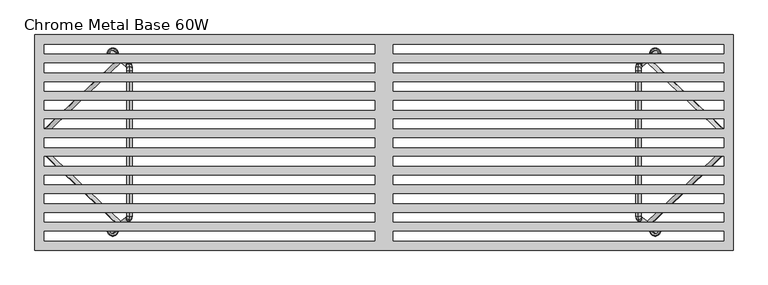
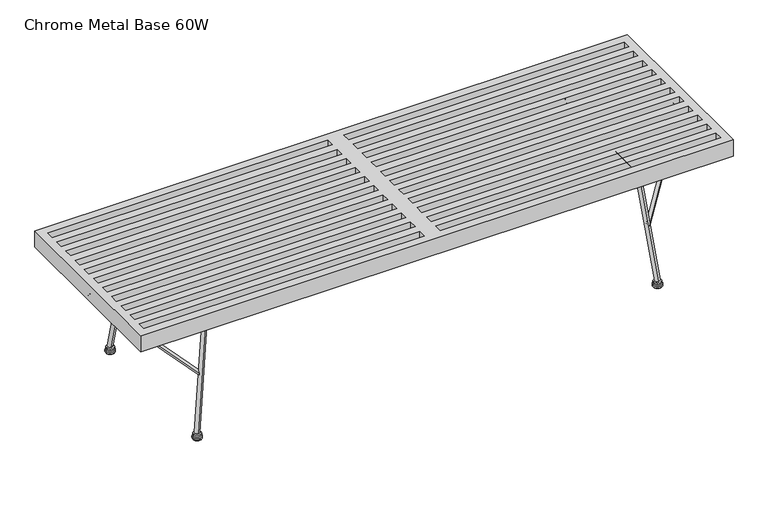
"""IFC4 building model written with IfcOpenShell, lengths in millimetres: furniture geometry, Chrome Metal Base 60W."""

from ifc_helpers import new_model, si_unit, frame, origin, place, context, project, spatial, polyline, circle_curve, ellipse_curve, outline, extrude, source, transform, mapped, element, save
from ifc_brep_helpers import plane_surface, cylinder_surface, revolved_surface, advanced_brep


def chrome_metal_base_60w_356680d5(model_context):
    return source(origin(), model_context, "Body", "SolidModel", [
        advanced_brep(
        [(591.9634341, 194.7783051, 14.6049997), (581.9434879, 194.7783051, 14.6049997), (601.9833803, 194.7783051, 14.6049997), (601.9833803, 194.7783051, 0.0), (581.9434879, 194.7783051, 0.0), (591.9634341, 194.7783051, 0.0), (603.8399712, 194.7783051, 2.998938), (580.0868971, 194.7783051, 2.998938), (603.8399712, 194.7783051, 6.526062), (580.0868971, 194.7783051, 6.526062), (601.9833803, 194.7783051, 9.525), (581.9434879, 194.7783051, 9.525)],
        [
            (0, 1),
            (1, 2, circle_curve(frame((591.9634341, 194.7783051, 14.6049997), z_axis=(0.0, 0.0, 1.0), x_axis=(-1.0, 0.0, 0.0)), 10.0199462)),
            (2, 0),
            (2, 1, circle_curve(frame((591.9634341, 194.7783051, 14.6049997), z_axis=(0.0, 0.0, 1.0), x_axis=(-1.0, 0.0, 0.0)), 10.0199462)),
            (3, 4, circle_curve(frame((591.9634341, 194.7783051, 0.0), z_axis=(0.0, 0.0, -1.0), x_axis=(-1.0, 0.0, 0.0)), 10.0199462)),
            (4, 5),
            (5, 3),
            (4, 3, circle_curve(frame((591.9634341, 194.7783051, 0.0), z_axis=(0.0, 0.0, -1.0), x_axis=(-1.0, 0.0, 0.0)), 10.0199462)),
            (6, 7, circle_curve(frame((591.9634341, 194.7783051, 2.998938), z_axis=(0.0, 0.0, -1.0), x_axis=(-1.0, 0.0, 0.0)), 11.8765371)),
            (7, 4),
            (3, 6),
            (7, 6, circle_curve(frame((591.9634341, 194.7783051, 2.998938), z_axis=(0.0, 0.0, -1.0), x_axis=(-1.0, 0.0, 0.0)), 11.8765371)),
            (8, 9, circle_curve(frame((591.9634341, 194.7783051, 6.526062), z_axis=(0.0, 0.0, -1.0), x_axis=(-1.0, 0.0, 0.0)), 11.8765371)),
            (9, 7),
            (6, 8),
            (9, 8, circle_curve(frame((591.9634341, 194.7783051, 6.526062), z_axis=(0.0, 0.0, -1.0), x_axis=(-1.0, 0.0, 0.0)), 11.8765371)),
            (10, 11, circle_curve(frame((591.9634341, 194.7783051, 9.525), z_axis=(0.0, 0.0, -1.0), x_axis=(-1.0, 0.0, 0.0)), 10.0199462)),
            (11, 9),
            (8, 10),
            (11, 10, circle_curve(frame((591.9634341, 194.7783051, 9.525), z_axis=(0.0, 0.0, -1.0), x_axis=(-1.0, 0.0, 0.0)), 10.0199462)),
            (1, 11),
            (10, 2),
        ],
        [
            plane_surface(frame((591.9634341, 194.7783051, 14.6049997), z_axis=(0.0, 0.0, 1.0), x_axis=(-1.0, 0.0, 0.0))),
            plane_surface(frame((591.9634341, 194.7783051, 0.0), z_axis=(0.0, 0.0, -1.0), x_axis=(-1.0, 0.0, 0.0))),
            revolved_surface(polyline([(581.9434879, 194.7783051, 0.0), (580.0868971, 194.7783051, 2.998938)]), (591.9634341, 194.7783051, 0.0), (0.0, 0.0, 1.0)),
            cylinder_surface(frame((591.9634341, 194.7783051, 0.0), z_axis=(0.0, 0.0, 1.0), x_axis=(-1.0, 0.0, 0.0)), 11.8765371),
            revolved_surface(polyline([(580.0868971, 194.7783051, 6.526062), (581.9434879, 194.7783051, 9.525)]), (591.9634341, 194.7783051, 0.0), (0.0, 0.0, 1.0)),
            cylinder_surface(frame((591.9634341, 194.7783051, 0.0), z_axis=(0.0, 0.0, 1.0), x_axis=(-1.0, 0.0, 0.0)), 10.0199462),
        ],
        [
            (0, [[1, 2, 3]]),
            (0, [[-3, 4, -1]]),
            (1, [[5, 6, 7]]),
            (1, [[8, -7, -6]]),
            (2, [[9, 10, -5, 11]]),
            (2, [[12, -11, -8, -10]]),
            (3, [[13, 14, -9, 15]]),
            (3, [[16, -15, -12, -14]]),
            (4, [[17, 18, -13, 19]]),
            (4, [[20, -19, -16, -18]]),
            (5, [[-2, 21, -17, 22]]),
            (5, [[-4, -22, -20, -21]]),
        ],
    ),
        advanced_brep(
        [(591.9634341, -192.8764849, 14.6049997), (581.9434879, -192.8764849, 14.6049997), (601.9833803, -192.8764849, 14.6049997), (601.9833803, -192.8764849, 0.0), (581.9434879, -192.8764849, 0.0), (591.9634341, -192.8764849, 0.0), (603.8399712, -192.8764849, 2.998938), (580.0868971, -192.8764849, 2.998938), (603.8399712, -192.8764849, 6.526062), (580.0868971, -192.8764849, 6.526062), (601.9833803, -192.8764849, 9.525), (581.9434879, -192.8764849, 9.525)],
        [
            (0, 1),
            (1, 2, circle_curve(frame((591.9634341, -192.8764849, 14.6049997), z_axis=(0.0, 0.0, 1.0), x_axis=(-1.0, 0.0, 0.0)), 10.0199462)),
            (2, 0),
            (2, 1, circle_curve(frame((591.9634341, -192.8764849, 14.6049997), z_axis=(0.0, 0.0, 1.0), x_axis=(-1.0, 0.0, 0.0)), 10.0199462)),
            (3, 4, circle_curve(frame((591.9634341, -192.8764849, 0.0), z_axis=(0.0, 0.0, -1.0), x_axis=(-1.0, 0.0, 0.0)), 10.0199462)),
            (4, 5),
            (5, 3),
            (4, 3, circle_curve(frame((591.9634341, -192.8764849, 0.0), z_axis=(0.0, 0.0, -1.0), x_axis=(-1.0, 0.0, 0.0)), 10.0199462)),
            (6, 7, circle_curve(frame((591.9634341, -192.8764849, 2.998938), z_axis=(0.0, 0.0, -1.0), x_axis=(-1.0, 0.0, 0.0)), 11.8765371)),
            (7, 4),
            (3, 6),
            (7, 6, circle_curve(frame((591.9634341, -192.8764849, 2.998938), z_axis=(0.0, 0.0, -1.0), x_axis=(-1.0, 0.0, 0.0)), 11.8765371)),
            (8, 9, circle_curve(frame((591.9634341, -192.8764849, 6.526062), z_axis=(0.0, 0.0, -1.0), x_axis=(-1.0, 0.0, 0.0)), 11.8765371)),
            (9, 7),
            (6, 8),
            (9, 8, circle_curve(frame((591.9634341, -192.8764849, 6.526062), z_axis=(0.0, 0.0, -1.0), x_axis=(-1.0, 0.0, 0.0)), 11.8765371)),
            (10, 11, circle_curve(frame((591.9634341, -192.8764849, 9.525), z_axis=(0.0, 0.0, -1.0), x_axis=(-1.0, 0.0, 0.0)), 10.0199462)),
            (11, 9),
            (8, 10),
            (11, 10, circle_curve(frame((591.9634341, -192.8764849, 9.525), z_axis=(0.0, 0.0, -1.0), x_axis=(-1.0, 0.0, 0.0)), 10.0199462)),
            (1, 11),
            (10, 2),
        ],
        [
            plane_surface(frame((591.9634341, -192.8764849, 14.6049997), z_axis=(0.0, 0.0, 1.0), x_axis=(-1.0, 0.0, 0.0))),
            plane_surface(frame((591.9634341, -192.8764849, 0.0), z_axis=(0.0, 0.0, -1.0), x_axis=(-1.0, 0.0, 0.0))),
            revolved_surface(polyline([(581.9434879, -192.8764849, 0.0), (580.0868971, -192.8764849, 2.998938)]), (591.9634341, -192.8764849, 0.0), (0.0, 0.0, 1.0)),
            cylinder_surface(frame((591.9634341, -192.8764849, 0.0), z_axis=(0.0, 0.0, 1.0), x_axis=(-1.0, 0.0, 0.0)), 11.8765371),
            revolved_surface(polyline([(580.0868971, -192.8764849, 6.526062), (581.9434879, -192.8764849, 9.525)]), (591.9634341, -192.8764849, 0.0), (0.0, 0.0, 1.0)),
            cylinder_surface(frame((591.9634341, -192.8764849, 0.0), z_axis=(0.0, 0.0, 1.0), x_axis=(-1.0, 0.0, 0.0)), 10.0199462),
        ],
        [
            (0, [[1, 2, 3]]),
            (0, [[-3, 4, -1]]),
            (1, [[5, 6, 7]]),
            (1, [[8, -7, -6]]),
            (2, [[9, 10, -5, 11]]),
            (2, [[12, -11, -8, -10]]),
            (3, [[13, 14, -9, 15]]),
            (3, [[16, -15, -12, -14]]),
            (4, [[17, 18, -13, 19]]),
            (4, [[20, -19, -16, -18]]),
            (5, [[-2, 21, -17, 22]]),
            (5, [[-4, -22, -20, -21]]),
        ],
    ),
        advanced_brep(
        [(577.8497053, -182.2751061, 164.3697765), (573.7171483, -174.5208175, 160.6929747), (577.8497053, 183.910827, 164.3697765), (573.7171483, 176.1565384, 160.6929747), (743.0495704, -12.8406609, 311.3507321), (747.7910222, -20.0135711, 315.5692774), (743.7017118, -11.8880043, 311.9309526), (750.1619083, -16.5501495, 317.6786925), (743.9049732, -10.8100889, 312.1117976), (751.0211341, -11.9935897, 318.4431595), (743.9049732, 12.4458234, 312.1117976), (751.0211341, 13.6293288, 318.4431595), (743.7017142, 13.5237217, 311.9309548), (750.1619083, 18.1858705, 317.6786925), (743.0495704, 14.4763818, 311.3507321), (747.7910222, 21.649292, 315.5692774)],
        [
            (0, 1, circle_curve(frame((575.7834268, -178.3979618, 162.5313756), z_axis=(-0.6082140995772889, -0.5807284253286233, -0.5411377875280245), x_axis=(-0.43386361116818506, 0.8140973504534563, -0.3860153764926528)), 4.762507)),
            (1, 0, circle_curve(frame((575.7834268, -178.3979618, 162.5313756), z_axis=(-0.6082140995772889, -0.5807284253286233, -0.5411377875280245), x_axis=(-0.43386361116818506, 0.8140973504534563, -0.3860153764926528)), 4.762507)),
            (2, 3, circle_curve(frame((575.7834268, 180.0336827, 162.5313756), z_axis=(-0.6082140995772779, 0.5807284253286429, -0.5411377875280159), x_axis=(-0.43386361116819955, -0.8140973504534423, -0.38601537649266576)), 4.762507)),
            (3, 2, circle_curve(frame((575.7834268, 180.0336827, 162.5313756), z_axis=(-0.6082140995772779, 0.5807284253286429, -0.5411377875280159), x_axis=(-0.43386361116819955, -0.8140973504534423, -0.38601537649266576)), 4.762507)),
            (1, 4),
            (4, 5, ellipse_curve(frame((745.4202963, -16.427116, 313.4600048), z_axis=(-0.5595311425581404, -0.6626434792452349, -0.49782378400529637), x_axis=(-0.4950625460768481, 0.7489349901118053, -0.44046504521714186)), 4.7887402, 4.762507)),
            (5, 0),
            (5, 4, ellipse_curve(frame((745.4202963, -16.427116, 313.4600048), z_axis=(-0.5595311425581404, -0.6626434792452349, -0.49782378400529637), x_axis=(-0.4950625460768481, 0.7489349901118053, -0.44046504521714186)), 4.7887402, 4.762507)),
            (4, 6),
            (6, 7, ellipse_curve(frame((746.93181, -14.2190769, 314.8048226), z_axis=(-0.3545587600520025, -0.880213172182037, -0.31545658526590026), x_axis=(-0.6576093899047603, 0.4745785198649804, -0.5850855653593355)), 4.9118798, 4.762507)),
            (7, 5),
            (7, 6, ellipse_curve(frame((746.93181, -14.2190769, 314.8048226), z_axis=(-0.3545587600520025, -0.880213172182037, -0.31545658526590026), x_axis=(-0.6576093899047603, 0.4745785198649804, -0.5850855653593355)), 4.9118798, 4.762507)),
            (6, 8),
            (8, 9, ellipse_curve(frame((747.4630536, -11.4018393, 315.2774785), z_axis=(-0.09212049477383784, -0.9923689821921577, -0.08196107384316184), x_axis=(-0.7414012668340134, 0.12330370303807127, -0.6596365350357873)), 4.7991292, 4.762507)),
            (9, 7),
            (9, 8, ellipse_curve(frame((747.4630536, -11.4018393, 315.2774785), z_axis=(-0.09212049477383784, -0.9923689821921577, -0.08196107384316184), x_axis=(-0.7414012668340134, 0.12330370303807127, -0.6596365350357873)), 4.7991292, 4.762507)),
            (8, 10),
            (10, 11, ellipse_curve(frame((747.4630536, 13.0375761, 315.2774785), z_axis=(0.09212084827773159, -0.9923689234002105, 0.08196138836121696), x_axis=(-0.7414012229104072, -0.12330417620464927, -0.6596364959562544)), 4.7991295, 4.762507)),
            (11, 9),
            (11, 10, ellipse_curve(frame((747.4630536, 13.0375761, 315.2774785), z_axis=(0.09212084827773159, -0.9923689234002105, 0.08196138836121696), x_axis=(-0.7414012229104072, -0.12330417620464927, -0.6596364959562544)), 4.7991295, 4.762507)),
            (10, 12),
            (12, 13, ellipse_curve(frame((746.9318112, 15.8547961, 314.8048237), z_axis=(0.3545590736034721, -0.8802129459004785, 0.31545686423764635), x_axis=(-0.6576092208492605, -0.4745789395550562, -0.5850854149479602)), 4.9118792, 4.762507)),
            (13, 11),
            (13, 12, ellipse_curve(frame((746.9318112, 15.8547961, 314.8048237), z_axis=(0.3545590736034721, -0.8802129459004785, 0.31545686423764635), x_axis=(-0.6576092208492605, -0.4745789395550562, -0.5850854149479602)), 4.9118792, 4.762507)),
            (12, 14),
            (14, 15, ellipse_curve(frame((745.4202963, 18.0628369, 313.4600048), z_axis=(0.5595311425581335, -0.6626434792452444, 0.49782378400529154), x_axis=(-0.4950625460768554, -0.7489349901117969, -0.440465045217148)), 4.7887402, 4.762507)),
            (15, 13),
            (15, 14, ellipse_curve(frame((745.4202963, 18.0628369, 313.4600048), z_axis=(0.5595311425581335, -0.6626434792452444, 0.49782378400529154), x_axis=(-0.4950625460768554, -0.7489349901117969, -0.440465045217148)), 4.7887402, 4.762507)),
            (14, 3),
            (2, 15),
        ],
        [
            plane_surface(frame((787.0391567, -182.1949066, -70.8356571), z_axis=(-0.6082140995772889, -0.5807284253286233, -0.5411377875280245), x_axis=(-0.6647089408000241, 0.0, 0.7471024186953955))),
            plane_surface(frame((787.0391567, 183.8306275, -70.8356571), z_axis=(-0.6082140995772783, 0.5807284253286424, -0.5411377875280157), x_axis=(-0.6647089408000243, 0.0, 0.7471024186953953))),
            cylinder_surface(frame((575.7834268, -178.3979618, 162.5313756), z_axis=(-0.6082140995772889, -0.5807284253286233, -0.5411377875280245), x_axis=(-0.43386361116818506, 0.8140973504534563, -0.3860153764926528)), 4.762507),
            cylinder_surface(frame((745.1728809, -16.7885437, 313.2398753), z_axis=(-0.5047178452517039, -0.7372984725361708, -0.44905551892868045), x_axis=(-0.5508374721321957, 0.6755671412937647, -0.49008888673299167)), 4.762507),
            cylinder_surface(frame((746.7165669, -15.3605325, 314.6133174), z_axis=(-0.1828350432755022, -0.9695923936341984, -0.16267125485822959), x_axis=(-0.7243848224327667, 0.24472554056882956, -0.644496732980349)), 4.762507),
            cylinder_surface(frame((747.4630536, -11.9813492, 315.2774785), z_axis=(0.0, -1.0, 0.0), x_axis=(-0.7471024186953935, 0.0, -0.6647089408000264)), 4.762507),
            cylinder_surface(frame((747.5690092, 12.4756856, 315.3717488), z_axis=(0.18283573405617395, -0.9695921602609858, 0.16267186945681486), x_axis=(-0.724384648079075, -0.24472646518191482, -0.6444965778550882)), 4.762507),
            cylinder_surface(frame((747.5259906, 14.9868109, 315.3334746), z_axis=(0.5047178452517028, -0.7372984725361716, 0.4490555189286807), x_axis=(-0.550837472132196, -0.6755671412937639, -0.4900888867329924)), 4.762507),
            cylinder_surface(frame((745.7184462, 17.7781606, 313.7252735), z_axis=(0.6082140995772779, -0.5807284253286429, 0.5411377875280159), x_axis=(-0.43386361116819955, -0.8140973504534423, -0.38601537649266576)), 4.762507),
        ],
        [
            (0, [[1, 2]]),
            (1, [[3, 4]]),
            (2, [[-2, 5, 6, 7]]),
            (2, [[-1, -7, 8, -5]]),
            (3, [[-6, 9, 10, 11]]),
            (3, [[-8, -11, 12, -9]]),
            (4, [[-10, 13, 14, 15]]),
            (4, [[-12, -15, 16, -13]]),
            (5, [[-14, 17, 18, 19]]),
            (5, [[-16, -19, 20, -17]]),
            (6, [[-18, 21, 22, 23]]),
            (6, [[-20, -23, 24, -21]]),
            (7, [[-22, 25, 26, 27]]),
            (7, [[-24, -27, 28, -25]]),
            (8, [[-26, 29, -3, 30]]),
            (8, [[-28, -30, -4, -29]]),
        ],
    ),
        advanced_brep(
        [(591.9933726, -198.9985468, 17.0527119), (592.1291101, -186.9715892, 15.9472188), (557.2200805, -160.444301, 300.2584487), (556.9040899, -172.3342846, 302.8319862), (556.7041191, -158.9605949, 304.4606172), (555.8655113, -169.347733, 311.29053), (556.4628599, -156.782398, 306.4255157), (555.1247729, -162.6600124, 317.3233601), (556.3276344, -152.350413, 307.5268391), (554.8556452, -153.8394148, 319.5152292), (556.3276344, 154.9783115, 307.5268391), (554.8556452, 156.4673082, 319.5152292), (556.4628604, 159.4103292, 306.4255115), (555.1247729, 165.2879376, 317.32336), (556.7041174, 161.588507, 304.4606316), (555.8655112, 171.9756623, 311.2905303), (557.220009, 163.0719946, 300.2590313), (556.9040887, 174.9621746, 302.8319957), (591.9884058, 201.5948428, 17.0931633), (592.1240028, 189.5677785, 15.988814)],
        [
            (0, 1, circle_curve(frame((592.0612413, -192.985068, 16.4999653), z_axis=(0.12135008799936231, -0.0922136423115988, -0.9883171557319925), x_axis=(0.011238016041482113, 0.9957392450695256, -0.0915262958052104)), 6.0392104)),
            (1, 0, circle_curve(frame((592.0612413, -192.985068, 16.4999653), z_axis=(0.12135008799936231, -0.0922136423115988, -0.9883171557319925), x_axis=(0.011238016041482113, 0.9957392450695256, -0.0915262958052104)), 6.0392104)),
            (1, 2),
            (2, 3, ellipse_curve(frame((557.0620852, -166.3892928, 301.5452174), z_axis=(0.11907100917549503, -0.21306400776523926, -0.9697555482537563), x_axis=(0.025965970729618634, 0.9770382431588925, -0.2114758609606625)), 6.0847074, 6.0392104)),
            (3, 0),
            (3, 2, ellipse_curve(frame((557.0620852, -166.3892928, 301.5452174), z_axis=(0.11907100917549503, -0.21306400776523926, -0.9697555482537563), x_axis=(0.025965970729618634, 0.9770382431588925, -0.2114758609606625)), 6.0847074, 6.0392104)),
            (2, 4),
            (4, 5, ellipse_curve(frame((556.2848152, -164.1541639, 307.8755736), z_axis=(0.10159761451397237, -0.552277794563909, -0.8274461688573432), x_axis=(0.06730573220062679, 0.8336601451620589, -0.5481611996313789)), 6.2298397, 6.0392104)),
            (5, 3),
            (5, 4, ellipse_curve(frame((556.2848152, -164.1541639, 307.8755736), z_axis=(0.10159761451397237, -0.552277794563909, -0.8274461688573432), x_axis=(0.06730573220062679, 0.8336601451620589, -0.5481611996313789)), 6.2298397, 6.0392104)),
            (4, 6),
            (6, 7, ellipse_curve(frame((555.7938164, -159.7212052, 311.8744379), z_axis=(0.05751616057456281, -0.8816256498570798, -0.46843153692598744), x_axis=(0.10744313907733968, 0.4719493760077253, -0.8750541459539095)), 6.2269543, 6.0392104)),
            (7, 5),
            (7, 6, ellipse_curve(frame((555.7938164, -159.7212052, 311.8744379), z_axis=(0.05751616057456281, -0.8816256498570798, -0.46843153692598744), x_axis=(0.10744313907733968, 0.4719493760077253, -0.8750541459539095)), 6.2269543, 6.0392104)),
            (6, 8),
            (8, 9, ellipse_curve(frame((555.5916398, -153.0949139, 313.5210341), z_axis=(0.0149109147102389, -0.9924868134268328, -0.12143965495815362), x_axis=(0.12095371629059558, 0.12235164557067361, -0.9850889672215614)), 6.0849276, 6.0392104)),
            (9, 7),
            (9, 8, ellipse_curve(frame((555.5916398, -153.0949139, 313.5210341), z_axis=(0.0149109147102389, -0.9924868134268328, -0.12143965495815362), x_axis=(0.12095371629059558, 0.12235164557067361, -0.9850889672215614)), 6.0849276, 6.0392104)),
            (8, 10),
            (10, 11, ellipse_curve(frame((555.5916398, 155.7228098, 313.5210341), z_axis=(-0.014910863776423882, -0.9924868649492253, 0.12143924013554719), x_axis=(0.1209537225695958, -0.12235122763281928, -0.9850890183599141)), 6.0849273, 6.0392104)),
            (11, 9),
            (11, 10, ellipse_curve(frame((555.5916398, 155.7228098, 313.5210341), z_axis=(-0.014910863776423882, -0.9924868649492253, 0.12143924013554719), x_axis=(0.1209537225695958, -0.12235122763281928, -0.9850890183599141)), 6.0849273, 6.0392104)),
            (10, 12),
            (12, 13, ellipse_curve(frame((555.7938167, 162.3491334, 311.8744357), z_axis=(-0.05751609737232197, -0.8816259274756142, 0.46843102218557275), x_axis=(0.10744317291028696, -0.47194885740169246, -0.875054421503147)), 6.2269547, 6.0392104)),
            (13, 11),
            (13, 12, ellipse_curve(frame((555.7938167, 162.3491334, 311.8744357), z_axis=(-0.05751609737232197, -0.8816259274756142, 0.46843102218557275), x_axis=(0.10744317291028696, -0.47194885740169246, -0.875054421503147)), 6.2269547, 6.0392104)),
            (12, 14),
            (14, 15, ellipse_curve(frame((556.2848143, 166.7820846, 307.8755809), z_axis=(-0.10159772999298548, -0.5522763642179269, 0.827447109358961), x_axis=(0.0673055578855409, -0.8336610927266707, -0.5481597799469508)), 6.2298429, 6.0392104)),
            (15, 13),
            (15, 14, ellipse_curve(frame((556.2848143, 166.7820846, 307.8755809), z_axis=(-0.10159772999298548, -0.5522763642179269, 0.827447109358961), x_axis=(0.0673055578855409, -0.8336610927266707, -0.5481597799469508)), 6.2298429, 6.0392104)),
            (14, 16),
            (16, 17, ellipse_curve(frame((557.0620489, 169.0170846, 301.5455135), z_axis=(-0.11907230191393131, -0.21301535924844595, 0.9697660767634497), x_axis=(0.025960041966819617, -0.9770488507358555, -0.2114275750625385)), 6.0847418, 6.0392104)),
            (17, 15),
            (17, 16, ellipse_curve(frame((557.0620489, 169.0170846, 301.5455135), z_axis=(-0.11907230191393131, -0.21301535924844595, 0.9697660767634497), x_axis=(0.025960041966819617, -0.9770488507358555, -0.2114275750625385)), 6.0847418, 6.0392104)),
            (18, 19, circle_curve(frame((592.0562043, 195.5813106, 16.5409887), z_axis=(0.12135116423924769, 0.0921182327900782, -0.988325921002486), x_axis=(0.011226388545799245, -0.9957480761656702, -0.0914315974517879)), 6.0392104)),
            (19, 18, circle_curve(frame((592.0562043, 195.5813106, 16.5409887), z_axis=(0.12135116423924769, 0.0921182327900782, -0.988325921002486), x_axis=(0.011226388545799245, -0.9957480761656702, -0.0914315974517879)), 6.0392104)),
            (16, 19),
            (18, 17),
        ],
        [
            plane_surface(frame((-1949.5476348, -199.1986281, -294.9906164), z_axis=(0.12135008799936234, -0.09221364231159881, -0.9883171557319927), x_axis=(-0.9925461516413222, 0.0, -0.12186934340514674))),
            cylinder_surface(frame((592.0612413, -192.985068, 16.4999653), z_axis=(0.12135008799936234, -0.09221364231159881, -0.9883171557319927), x_axis=(0.011238016041482113, 0.9957392450695256, -0.0915262958052104)), 6.0392104),
            cylinder_surface(frame((557.150346, -166.6430969, 300.8263907), z_axis=(0.11501127838416685, -0.33072809935381914, -0.9366916942848645), x_axis=(0.040305616313852856, 0.943726085417697, -0.3282629022532855)), 6.0392104),
            cylinder_surface(frame((556.4143392, -165.3235653, 306.8206851), z_axis=(0.08196630072156186, -0.7400287632700446, -0.6675619484954418), x_axis=(0.09018681948062926, 0.6725752222116188, -0.7345127010875715)), 6.0392104),
            cylinder_surface(frame((555.8402264, -161.2422806, 311.4964592), z_axis=(0.029597772452086966, -0.970060149652297, -0.24105451234614464), x_axis=(0.11822059350162499, 0.2428647896599322, -0.9628294683979923)), 6.0392104),
            cylinder_surface(frame((555.5916398, -153.8641859, 313.5210341), z_axis=(0.0, -1.0000000000000002, 0.0), x_axis=(0.12186934340514798, 0.0, -0.992546151641322)), 6.0392104),
            cylinder_surface(frame((555.5688712, 154.9765721, 313.7064694), z_axis=(-0.029597672886297426, -0.9700603541934839, 0.24105370144789), x_axis=(0.11822061842892516, -0.2428639726719728, -0.9628296714145601)), 6.0392104),
            cylinder_surface(frame((555.6652916, 161.1887506, 312.9211881), z_axis=(-0.08196627057439637, -0.7400289880938992, 0.6675617029674821), x_axis=(0.09018684687979442, -0.6725749748397719, -0.7345129242356194)), 6.0392104),
            cylinder_surface(frame((556.1030704, 166.2594657, 309.3557659), z_axis=(-0.11501143016446065, -0.3307245455093971, 0.9366929304361853), x_axis=(0.04030518320922602, -0.943727330852298, -0.32825937489867363)), 6.0392104),
            plane_surface(frame((-1949.5525993, 201.7949258, -294.950184), z_axis=(0.12135116423924776, 0.09211823279007894, -0.988325921002486), x_axis=(-0.9925461516413219, 0.0, -0.12186934340514899))),
            cylinder_surface(frame((556.9688874, 168.9463653, 302.304253), z_axis=(-0.12135116423924772, -0.09211823279007822, 0.9883259210024862), x_axis=(0.011226388545799245, -0.9957480761656702, -0.0914315974517879)), 6.0392104),
        ],
        [
            (0, [[1, 2]]),
            (1, [[-2, 3, 4, 5]]),
            (1, [[-1, -5, 6, -3]]),
            (2, [[-4, 7, 8, 9]]),
            (2, [[-6, -9, 10, -7]]),
            (3, [[-8, 11, 12, 13]]),
            (3, [[-10, -13, 14, -11]]),
            (4, [[-12, 15, 16, 17]]),
            (4, [[-14, -17, 18, -15]]),
            (5, [[-16, 19, 20, 21]]),
            (5, [[-18, -21, 22, -19]]),
            (6, [[-20, 23, 24, 25]]),
            (6, [[-22, -25, 26, -23]]),
            (7, [[-24, 27, 28, 29]]),
            (7, [[-26, -29, 30, -27]]),
            (8, [[-28, 31, 32, 33]]),
            (8, [[-30, -33, 34, -31]]),
            (9, [[35, 36]]),
            (10, [[-32, 37, -35, 38]]),
            (10, [[-34, -38, -36, -37]]),
        ],
    ),
        advanced_brep(
        [(-601.9833803, 194.7783051, 14.6049997), (-581.9434879, 194.7783051, 14.6049997), (-591.9634341, 194.7783051, 14.6049997), (-591.9634341, 194.7783051, 0.0), (-581.9434879, 194.7783051, 0.0), (-601.9833803, 194.7783051, 0.0), (-580.0868971, 194.7783051, 2.998938), (-603.8399712, 194.7783051, 2.998938), (-580.0868971, 194.7783051, 6.526062), (-603.8399712, 194.7783051, 6.526062), (-581.9434879, 194.7783051, 9.525), (-601.9833803, 194.7783051, 9.525)],
        [
            (0, 1, circle_curve(frame((-591.9634341, 194.7783051, 14.6049997), z_axis=(0.0, 0.0, 1.0), x_axis=(1.0, 0.0, 0.0)), 10.0199462)),
            (1, 2),
            (2, 0),
            (1, 0, circle_curve(frame((-591.9634341, 194.7783051, 14.6049997), z_axis=(0.0, 0.0, 1.0), x_axis=(1.0, 0.0, 0.0)), 10.0199462)),
            (3, 4),
            (4, 5, circle_curve(frame((-591.9634341, 194.7783051, 0.0), z_axis=(0.0, 0.0, -1.0), x_axis=(1.0, 0.0, 0.0)), 10.0199462)),
            (5, 3),
            (5, 4, circle_curve(frame((-591.9634341, 194.7783051, 0.0), z_axis=(0.0, 0.0, -1.0), x_axis=(1.0, 0.0, 0.0)), 10.0199462)),
            (4, 6),
            (6, 7, circle_curve(frame((-591.9634341, 194.7783051, 2.998938), z_axis=(0.0, 0.0, -1.0), x_axis=(1.0, 0.0, 0.0)), 11.8765371)),
            (7, 5),
            (7, 6, circle_curve(frame((-591.9634341, 194.7783051, 2.998938), z_axis=(0.0, 0.0, -1.0), x_axis=(1.0, 0.0, 0.0)), 11.8765371)),
            (6, 8),
            (8, 9, circle_curve(frame((-591.9634341, 194.7783051, 6.526062), z_axis=(0.0, 0.0, -1.0), x_axis=(1.0, 0.0, 0.0)), 11.8765371)),
            (9, 7),
            (9, 8, circle_curve(frame((-591.9634341, 194.7783051, 6.526062), z_axis=(0.0, 0.0, -1.0), x_axis=(1.0, 0.0, 0.0)), 11.8765371)),
            (8, 10),
            (10, 11, circle_curve(frame((-591.9634341, 194.7783051, 9.525), z_axis=(0.0, 0.0, -1.0), x_axis=(1.0, 0.0, 0.0)), 10.0199462)),
            (11, 9),
            (11, 10, circle_curve(frame((-591.9634341, 194.7783051, 9.525), z_axis=(0.0, 0.0, -1.0), x_axis=(1.0, 0.0, 0.0)), 10.0199462)),
            (10, 1),
            (0, 11),
        ],
        [
            plane_surface(frame((-591.9634341, 194.7783051, 14.6049997), z_axis=(0.0, 0.0, 1.0), x_axis=(1.0, 0.0, 0.0))),
            plane_surface(frame((-591.9634341, 194.7783051, 0.0), z_axis=(0.0, 0.0, -1.0), x_axis=(1.0, 0.0, 0.0))),
            revolved_surface(polyline([(-580.0868971, 194.7783051, 2.998938), (-581.9434879, 194.7783051, 0.0)]), (-591.9634341, 194.7783051, 0.0), (0.0, 0.0, -1.0)),
            cylinder_surface(frame((-591.9634341, 194.7783051, 0.0), z_axis=(0.0, 0.0, -1.0), x_axis=(1.0, 0.0, 0.0)), 11.8765371),
            revolved_surface(polyline([(-581.9434879, 194.7783051, 9.525), (-580.0868971, 194.7783051, 6.526062)]), (-591.9634341, 194.7783051, 0.0), (0.0, 0.0, -1.0)),
            cylinder_surface(frame((-591.9634341, 194.7783051, 0.0), z_axis=(0.0, 0.0, -1.0), x_axis=(1.0, 0.0, 0.0)), 10.0199462),
        ],
        [
            (0, [[1, 2, 3]]),
            (0, [[4, -3, -2]]),
            (1, [[5, 6, 7]]),
            (1, [[-7, 8, -5]]),
            (2, [[-6, 9, 10, 11]]),
            (2, [[-8, -11, 12, -9]]),
            (3, [[-10, 13, 14, 15]]),
            (3, [[-12, -15, 16, -13]]),
            (4, [[-14, 17, 18, 19]]),
            (4, [[-16, -19, 20, -17]]),
            (5, [[-18, 21, -1, 22]]),
            (5, [[-20, -22, -4, -21]]),
        ],
    ),
        advanced_brep(
        [(-601.9833803, -192.8764849, 14.6049997), (-581.9434879, -192.8764849, 14.6049997), (-591.9634341, -192.8764849, 14.6049997), (-591.9634341, -192.8764849, 0.0), (-581.9434879, -192.8764849, 0.0), (-601.9833803, -192.8764849, 0.0), (-580.0868971, -192.8764849, 2.998938), (-603.8399712, -192.8764849, 2.998938), (-580.0868971, -192.8764849, 6.526062), (-603.8399712, -192.8764849, 6.526062), (-581.9434879, -192.8764849, 9.525), (-601.9833803, -192.8764849, 9.525)],
        [
            (0, 1, circle_curve(frame((-591.9634341, -192.8764849, 14.6049997), z_axis=(0.0, 0.0, 1.0), x_axis=(1.0, 0.0, 0.0)), 10.0199462)),
            (1, 2),
            (2, 0),
            (1, 0, circle_curve(frame((-591.9634341, -192.8764849, 14.6049997), z_axis=(0.0, 0.0, 1.0), x_axis=(1.0, 0.0, 0.0)), 10.0199462)),
            (3, 4),
            (4, 5, circle_curve(frame((-591.9634341, -192.8764849, 0.0), z_axis=(0.0, 0.0, -1.0), x_axis=(1.0, 0.0, 0.0)), 10.0199462)),
            (5, 3),
            (5, 4, circle_curve(frame((-591.9634341, -192.8764849, 0.0), z_axis=(0.0, 0.0, -1.0), x_axis=(1.0, 0.0, 0.0)), 10.0199462)),
            (4, 6),
            (6, 7, circle_curve(frame((-591.9634341, -192.8764849, 2.998938), z_axis=(0.0, 0.0, -1.0), x_axis=(1.0, 0.0, 0.0)), 11.8765371)),
            (7, 5),
            (7, 6, circle_curve(frame((-591.9634341, -192.8764849, 2.998938), z_axis=(0.0, 0.0, -1.0), x_axis=(1.0, 0.0, 0.0)), 11.8765371)),
            (6, 8),
            (8, 9, circle_curve(frame((-591.9634341, -192.8764849, 6.526062), z_axis=(0.0, 0.0, -1.0), x_axis=(1.0, 0.0, 0.0)), 11.8765371)),
            (9, 7),
            (9, 8, circle_curve(frame((-591.9634341, -192.8764849, 6.526062), z_axis=(0.0, 0.0, -1.0), x_axis=(1.0, 0.0, 0.0)), 11.8765371)),
            (8, 10),
            (10, 11, circle_curve(frame((-591.9634341, -192.8764849, 9.525), z_axis=(0.0, 0.0, -1.0), x_axis=(1.0, 0.0, 0.0)), 10.0199462)),
            (11, 9),
            (11, 10, circle_curve(frame((-591.9634341, -192.8764849, 9.525), z_axis=(0.0, 0.0, -1.0), x_axis=(1.0, 0.0, 0.0)), 10.0199462)),
            (10, 1),
            (0, 11),
        ],
        [
            plane_surface(frame((-591.9634341, -192.8764849, 14.6049997), z_axis=(0.0, 0.0, 1.0), x_axis=(1.0, 0.0, 0.0))),
            plane_surface(frame((-591.9634341, -192.8764849, 0.0), z_axis=(0.0, 0.0, -1.0), x_axis=(1.0, 0.0, 0.0))),
            revolved_surface(polyline([(-580.0868971, -192.8764849, 2.998938), (-581.9434879, -192.8764849, 0.0)]), (-591.9634341, -192.8764849, 0.0), (0.0, 0.0, -1.0)),
            cylinder_surface(frame((-591.9634341, -192.8764849, 0.0), z_axis=(0.0, 0.0, -1.0), x_axis=(1.0, 0.0, 0.0)), 11.8765371),
            revolved_surface(polyline([(-581.9434879, -192.8764849, 9.525), (-580.0868971, -192.8764849, 6.526062)]), (-591.9634341, -192.8764849, 0.0), (0.0, 0.0, -1.0)),
            cylinder_surface(frame((-591.9634341, -192.8764849, 0.0), z_axis=(0.0, 0.0, -1.0), x_axis=(1.0, 0.0, 0.0)), 10.0199462),
        ],
        [
            (0, [[1, 2, 3]]),
            (0, [[4, -3, -2]]),
            (1, [[5, 6, 7]]),
            (1, [[-7, 8, -5]]),
            (2, [[-6, 9, 10, 11]]),
            (2, [[-8, -11, 12, -9]]),
            (3, [[-10, 13, 14, 15]]),
            (3, [[-12, -15, 16, -13]]),
            (4, [[-14, 17, 18, 19]]),
            (4, [[-16, -19, 20, -17]]),
            (5, [[-18, 21, -1, 22]]),
            (5, [[-20, -22, -4, -21]]),
        ],
    ),
        advanced_brep(
        [(-573.7171983, -174.5208175, 160.6929747), (-577.8497552, -182.2751061, 164.3697765), (-573.7171983, 176.1565384, 160.6929747), (-577.8497552, 183.910827, 164.3697765), (-743.0496204, -12.8406609, 311.3507321), (-747.7910722, -20.0135711, 315.5692774), (-743.7017617, -11.8880043, 311.9309526), (-750.1619582, -16.5501495, 317.6786925), (-743.9050231, -10.8100889, 312.1117976), (-751.021184, -11.9935897, 318.4431595), (-743.9050231, 12.4458234, 312.1117976), (-751.021184, 13.6293288, 318.4431595), (-743.7017641, 13.5237217, 311.9309548), (-750.1619582, 18.1858705, 317.6786925), (-743.0496204, 14.4763818, 311.3507321), (-747.7910722, 21.649292, 315.5692774)],
        [
            (0, 1, circle_curve(frame((-575.7834768, -178.3979618, 162.5313756), z_axis=(0.6082140995772888, -0.5807284253286236, -0.5411377875280245), x_axis=(-0.4338636111681852, -0.8140973504534562, 0.3860153764926528)), 4.762507)),
            (1, 0, circle_curve(frame((-575.7834768, -178.3979618, 162.5313756), z_axis=(0.6082140995772888, -0.5807284253286236, -0.5411377875280245), x_axis=(-0.4338636111681852, -0.8140973504534562, 0.3860153764926528)), 4.762507)),
            (2, 3, circle_curve(frame((-575.7834768, 180.0336827, 162.5313756), z_axis=(0.6082140995772781, 0.5807284253286428, -0.5411377875280158), x_axis=(-0.4338636111681996, 0.8140973504534424, 0.3860153764926655)), 4.762507)),
            (3, 2, circle_curve(frame((-575.7834768, 180.0336827, 162.5313756), z_axis=(0.6082140995772781, 0.5807284253286428, -0.5411377875280158), x_axis=(-0.4338636111681996, 0.8140973504534424, 0.3860153764926655)), 4.762507)),
            (0, 4),
            (4, 5, ellipse_curve(frame((-745.4203463, -16.427116, 313.4600048), z_axis=(0.5595311425581402, -0.6626434792452349, -0.4978237840052965), x_axis=(0.49506254607685, 0.7489349901118045, -0.440465045217141)), 4.7887402, 4.762507)),
            (5, 1),
            (5, 4, ellipse_curve(frame((-745.4203463, -16.427116, 313.4600048), z_axis=(0.5595311425581402, -0.6626434792452349, -0.4978237840052965), x_axis=(0.49506254607685, 0.7489349901118045, -0.440465045217141)), 4.7887402, 4.762507)),
            (4, 6),
            (6, 7, ellipse_curve(frame((-746.93186, -14.2190769, 314.8048226), z_axis=(0.35455876005200243, -0.880213172182037, -0.3154565852659005), x_axis=(0.6576093899047604, 0.4745785198649806, -0.5850855653593355)), 4.9118798, 4.762507)),
            (7, 5),
            (7, 6, ellipse_curve(frame((-746.93186, -14.2190769, 314.8048226), z_axis=(0.35455876005200243, -0.880213172182037, -0.3154565852659005), x_axis=(0.6576093899047604, 0.4745785198649806, -0.5850855653593355)), 4.9118798, 4.762507)),
            (6, 8),
            (8, 9, ellipse_curve(frame((-747.4631036, -11.4018393, 315.2774785), z_axis=(0.09212049477383778, -0.9923689821921576, -0.08196107384316191), x_axis=(0.7414012668340134, 0.12330370303806949, -0.6596365350357875)), 4.7991292, 4.762507)),
            (9, 7),
            (9, 8, ellipse_curve(frame((-747.4631036, -11.4018393, 315.2774785), z_axis=(0.09212049477383778, -0.9923689821921576, -0.08196107384316191), x_axis=(0.7414012668340134, 0.12330370303806949, -0.6596365350357875)), 4.7991292, 4.762507)),
            (8, 10),
            (10, 11, ellipse_curve(frame((-747.4631036, 13.0375761, 315.2774785), z_axis=(-0.09212084827773163, -0.9923689234002105, 0.08196138836121686), x_axis=(0.7414012229104072, -0.12330417620464927, -0.6596364959562544)), 4.7991295, 4.762507)),
            (11, 9),
            (11, 10, ellipse_curve(frame((-747.4631036, 13.0375761, 315.2774785), z_axis=(-0.09212084827773163, -0.9923689234002105, 0.08196138836121686), x_axis=(0.7414012229104072, -0.12330417620464927, -0.6596364959562544)), 4.7991295, 4.762507)),
            (10, 12),
            (12, 13, ellipse_curve(frame((-746.9318612, 15.8547961, 314.8048237), z_axis=(-0.3545590736034722, -0.8802129459004785, 0.3154568642376463), x_axis=(0.6576092208492607, -0.47457893955505587, -0.5850854149479603)), 4.9118792, 4.762507)),
            (13, 11),
            (13, 12, ellipse_curve(frame((-746.9318612, 15.8547961, 314.8048237), z_axis=(-0.3545590736034722, -0.8802129459004785, 0.3154568642376463), x_axis=(0.6576092208492607, -0.47457893955505587, -0.5850854149479603)), 4.9118792, 4.762507)),
            (12, 14),
            (14, 15, ellipse_curve(frame((-745.4203463, 18.0628369, 313.4600048), z_axis=(-0.5595311425581336, -0.6626434792452442, 0.49782378400529137), x_axis=(0.495062546076856, -0.7489349901117972, -0.4404650452171465)), 4.7887402, 4.762507)),
            (15, 13),
            (15, 14, ellipse_curve(frame((-745.4203463, 18.0628369, 313.4600048), z_axis=(-0.5595311425581336, -0.6626434792452442, 0.49782378400529137), x_axis=(0.495062546076856, -0.7489349901117972, -0.4404650452171465)), 4.7887402, 4.762507)),
            (14, 2),
            (3, 15),
        ],
        [
            plane_surface(frame((-787.0392067, -182.1949066, -70.8356571), z_axis=(0.6082140995772888, -0.5807284253286233, -0.5411377875280247), x_axis=(0.6647089408000243, 0.0, 0.7471024186953955))),
            plane_surface(frame((-787.0392067, 183.8306275, -70.8356571), z_axis=(0.6082140995772788, 0.5807284253286422, -0.5411377875280157), x_axis=(0.6647089408000241, 0.0, 0.7471024186953955))),
            cylinder_surface(frame((-575.7834768, -178.3979618, 162.5313756), z_axis=(0.6082140995772888, -0.5807284253286236, -0.5411377875280245), x_axis=(-0.4338636111681852, -0.8140973504534562, 0.3860153764926528)), 4.762507),
            cylinder_surface(frame((-745.1729308, -16.7885437, 313.2398753), z_axis=(0.5047178452517038, -0.7372984725361708, -0.4490555189286806), x_axis=(-0.5508374721321957, -0.6755671412937647, 0.49008888673299167)), 4.762507),
            cylinder_surface(frame((-746.7166169, -15.3605325, 314.6133174), z_axis=(0.18283504327550215, -0.9695923936341985, -0.16267125485822967), x_axis=(-0.7243848224327669, -0.24472554056882959, 0.6444967329803489)), 4.762507),
            cylinder_surface(frame((-747.4631036, -11.9813492, 315.2774785), z_axis=(0.0, -1.0000000000000002, 0.0), x_axis=(-0.7471024186953937, 0.0, 0.6647089408000263)), 4.762507),
            cylinder_surface(frame((-747.5690591, 12.4756856, 315.3717488), z_axis=(-0.18283573405617404, -0.9695921602609859, 0.16267186945681478), x_axis=(-0.7243846480790752, 0.24472646518191482, 0.6444965778550881)), 4.762507),
            cylinder_surface(frame((-747.5260406, 14.9868109, 315.3334746), z_axis=(-0.5047178452517029, -0.7372984725361718, 0.4490555189286807), x_axis=(-0.5508374721321962, 0.675567141293764, 0.49008888673299233)), 4.762507),
            cylinder_surface(frame((-745.7184962, 17.7781606, 313.7252735), z_axis=(-0.6082140995772781, -0.5807284253286428, 0.5411377875280158), x_axis=(-0.4338636111681996, 0.8140973504534424, 0.3860153764926655)), 4.762507),
        ],
        [
            (0, [[1, 2]]),
            (1, [[3, 4]]),
            (2, [[-1, 5, 6, 7]]),
            (2, [[-2, -7, 8, -5]]),
            (3, [[-6, 9, 10, 11]]),
            (3, [[-8, -11, 12, -9]]),
            (4, [[-10, 13, 14, 15]]),
            (4, [[-12, -15, 16, -13]]),
            (5, [[-14, 17, 18, 19]]),
            (5, [[-16, -19, 20, -17]]),
            (6, [[-18, 21, 22, 23]]),
            (6, [[-20, -23, 24, -21]]),
            (7, [[-22, 25, 26, 27]]),
            (7, [[-24, -27, 28, -25]]),
            (8, [[-26, 29, -4, 30]]),
            (8, [[-28, -30, -3, -29]]),
        ],
    ),
        advanced_brep(
        [(-592.1291101, -186.9715892, 15.9472188), (-591.9933726, -198.9985468, 17.0527119), (-557.2200805, -160.444301, 300.2584487), (-556.9040899, -172.3342846, 302.8319862), (-556.7041191, -158.9605949, 304.4606172), (-555.8655113, -169.347733, 311.29053), (-556.4628599, -156.782398, 306.4255157), (-555.1247729, -162.6600124, 317.3233601), (-556.3276344, -152.350413, 307.5268391), (-554.8556452, -153.8394148, 319.5152292), (-556.3276344, 154.9783115, 307.5268391), (-554.8556452, 156.4673082, 319.5152292), (-556.4628604, 159.4103292, 306.4255115), (-555.1247729, 165.2879376, 317.32336), (-556.7041173, 161.588507, 304.4606316), (-555.8655112, 171.9756623, 311.2905303), (-557.220009, 163.0719946, 300.2590313), (-556.9040887, 174.9621746, 302.8319957), (-592.1240028, 189.5677785, 15.988814), (-591.9884058, 201.5948428, 17.0931633)],
        [
            (0, 1, circle_curve(frame((-592.0612413, -192.985068, 16.4999653), z_axis=(-0.12135008799936231, -0.0922136423115988, -0.9883171557319925), x_axis=(0.011238016041482113, -0.9957392450695256, 0.0915262958052104)), 6.0392104)),
            (1, 0, circle_curve(frame((-592.0612413, -192.985068, 16.4999653), z_axis=(-0.12135008799936231, -0.0922136423115988, -0.9883171557319925), x_axis=(0.011238016041482113, -0.9957392450695256, 0.0915262958052104)), 6.0392104)),
            (0, 2),
            (2, 3, ellipse_curve(frame((-557.0620852, -166.3892928, 301.5452174), z_axis=(-0.11907100917549503, -0.21306400776523926, -0.9697555482537563), x_axis=(-0.025965970729618634, 0.9770382431588925, -0.2114758609606625)), 6.0847074, 6.0392104)),
            (3, 1),
            (3, 2, ellipse_curve(frame((-557.0620852, -166.3892928, 301.5452174), z_axis=(-0.11907100917549503, -0.21306400776523926, -0.9697555482537563), x_axis=(-0.025965970729618634, 0.9770382431588925, -0.2114758609606625)), 6.0847074, 6.0392104)),
            (2, 4),
            (4, 5, ellipse_curve(frame((-556.2848152, -164.1541639, 307.8755736), z_axis=(-0.10159761451397237, -0.552277794563909, -0.8274461688573432), x_axis=(-0.06730573220062679, 0.8336601451620589, -0.5481611996313789)), 6.2298397, 6.0392104)),
            (5, 3),
            (5, 4, ellipse_curve(frame((-556.2848152, -164.1541639, 307.8755736), z_axis=(-0.10159761451397237, -0.552277794563909, -0.8274461688573432), x_axis=(-0.06730573220062679, 0.8336601451620589, -0.5481611996313789)), 6.2298397, 6.0392104)),
            (4, 6),
            (6, 7, ellipse_curve(frame((-555.7938164, -159.7212052, 311.8744379), z_axis=(-0.05751616057456281, -0.8816256498570798, -0.46843153692598744), x_axis=(-0.10744313907733968, 0.4719493760077253, -0.8750541459539095)), 6.2269543, 6.0392104)),
            (7, 5),
            (7, 6, ellipse_curve(frame((-555.7938164, -159.7212052, 311.8744379), z_axis=(-0.05751616057456281, -0.8816256498570798, -0.46843153692598744), x_axis=(-0.10744313907733968, 0.4719493760077253, -0.8750541459539095)), 6.2269543, 6.0392104)),
            (6, 8),
            (8, 9, ellipse_curve(frame((-555.5916398, -153.0949139, 313.5210341), z_axis=(-0.0149109147102389, -0.9924868134268328, -0.12143965495815362), x_axis=(-0.12095371629059558, 0.12235164557067361, -0.9850889672215614)), 6.0849276, 6.0392104)),
            (9, 7),
            (9, 8, ellipse_curve(frame((-555.5916398, -153.0949139, 313.5210341), z_axis=(-0.0149109147102389, -0.9924868134268328, -0.12143965495815362), x_axis=(-0.12095371629059558, 0.12235164557067361, -0.9850889672215614)), 6.0849276, 6.0392104)),
            (8, 10),
            (10, 11, ellipse_curve(frame((-555.5916398, 155.7228098, 313.5210341), z_axis=(0.014910863776423882, -0.9924868649492253, 0.12143924013554719), x_axis=(-0.1209537225695958, -0.12235122763281928, -0.9850890183599141)), 6.0849273, 6.0392104)),
            (11, 9),
            (11, 10, ellipse_curve(frame((-555.5916398, 155.7228098, 313.5210341), z_axis=(0.014910863776423882, -0.9924868649492253, 0.12143924013554719), x_axis=(-0.1209537225695958, -0.12235122763281928, -0.9850890183599141)), 6.0849273, 6.0392104)),
            (10, 12),
            (12, 13, ellipse_curve(frame((-555.7938167, 162.3491334, 311.8744357), z_axis=(0.05751609737232197, -0.8816259274756142, 0.46843102218557275), x_axis=(-0.10744317291028696, -0.47194885740169246, -0.875054421503147)), 6.2269547, 6.0392104)),
            (13, 11),
            (13, 12, ellipse_curve(frame((-555.7938167, 162.3491334, 311.8744357), z_axis=(0.05751609737232197, -0.8816259274756142, 0.46843102218557275), x_axis=(-0.10744317291028696, -0.47194885740169246, -0.875054421503147)), 6.2269547, 6.0392104)),
            (12, 14),
            (14, 15, ellipse_curve(frame((-556.2848143, 166.7820846, 307.8755809), z_axis=(0.10159772999298548, -0.5522763642179269, 0.827447109358961), x_axis=(-0.0673055578855409, -0.8336610927266707, -0.5481597799469508)), 6.2298429, 6.0392104)),
            (15, 13),
            (15, 14, ellipse_curve(frame((-556.2848143, 166.7820846, 307.8755809), z_axis=(0.10159772999298548, -0.5522763642179269, 0.827447109358961), x_axis=(-0.0673055578855409, -0.8336610927266707, -0.5481597799469508)), 6.2298429, 6.0392104)),
            (14, 16),
            (16, 17, ellipse_curve(frame((-557.0620489, 169.0170846, 301.5455135), z_axis=(0.11907230191393131, -0.21301535924844595, 0.9697660767634497), x_axis=(-0.025960041966819617, -0.9770488507358555, -0.2114275750625385)), 6.0847418, 6.0392104)),
            (17, 15),
            (17, 16, ellipse_curve(frame((-557.0620489, 169.0170846, 301.5455135), z_axis=(0.11907230191393131, -0.21301535924844595, 0.9697660767634497), x_axis=(-0.025960041966819617, -0.9770488507358555, -0.2114275750625385)), 6.0847418, 6.0392104)),
            (18, 19, circle_curve(frame((-592.0562043, 195.5813106, 16.5409887), z_axis=(-0.12135116423924769, 0.0921182327900782, -0.988325921002486), x_axis=(0.011226388545799245, 0.9957480761656702, 0.0914315974517879)), 6.0392104)),
            (19, 18, circle_curve(frame((-592.0562043, 195.5813106, 16.5409887), z_axis=(-0.12135116423924769, 0.0921182327900782, -0.988325921002486), x_axis=(0.011226388545799245, 0.9957480761656702, 0.0914315974517879)), 6.0392104)),
            (16, 18),
            (19, 17),
        ],
        [
            plane_surface(frame((1949.5476348, -199.1986281, -294.9906164), z_axis=(-0.12135008799936234, -0.09221364231159881, -0.9883171557319927), x_axis=(0.9925461516413222, 0.0, -0.12186934340514674))),
            cylinder_surface(frame((-592.0612413, -192.985068, 16.4999653), z_axis=(-0.12135008799936234, -0.09221364231159881, -0.9883171557319927), x_axis=(0.011238016041482113, -0.9957392450695256, 0.0915262958052104)), 6.0392104),
            cylinder_surface(frame((-557.150346, -166.6430969, 300.8263907), z_axis=(-0.11501127838416685, -0.33072809935381914, -0.9366916942848645), x_axis=(0.040305616313852856, -0.943726085417697, 0.3282629022532855)), 6.0392104),
            cylinder_surface(frame((-556.4143392, -165.3235653, 306.8206851), z_axis=(-0.08196630072156186, -0.7400287632700446, -0.6675619484954418), x_axis=(0.09018681948062926, -0.6725752222116188, 0.7345127010875715)), 6.0392104),
            cylinder_surface(frame((-555.8402264, -161.2422806, 311.4964592), z_axis=(-0.029597772452086966, -0.970060149652297, -0.24105451234614464), x_axis=(0.11822059350162499, -0.2428647896599322, 0.9628294683979923)), 6.0392104),
            cylinder_surface(frame((-555.5916398, -153.8641859, 313.5210341), z_axis=(0.0, -1.0000000000000002, 0.0), x_axis=(0.12186934340514798, 0.0, 0.992546151641322)), 6.0392104),
            cylinder_surface(frame((-555.5688712, 154.9765721, 313.7064694), z_axis=(0.029597672886297426, -0.9700603541934839, 0.24105370144789), x_axis=(0.11822061842892516, 0.2428639726719728, 0.9628296714145601)), 6.0392104),
            cylinder_surface(frame((-555.6652916, 161.1887506, 312.9211881), z_axis=(0.08196627057439637, -0.7400289880938992, 0.6675617029674821), x_axis=(0.09018684687979442, 0.6725749748397719, 0.7345129242356194)), 6.0392104),
            cylinder_surface(frame((-556.1030704, 166.2594657, 309.3557659), z_axis=(0.11501143016446065, -0.3307245455093971, 0.9366929304361853), x_axis=(0.04030518320922602, 0.943727330852298, 0.32825937489867363)), 6.0392104),
            plane_surface(frame((1949.5525993, 201.7949258, -294.950184), z_axis=(-0.12135116423924776, 0.09211823279007894, -0.988325921002486), x_axis=(0.9925461516413219, 0.0, -0.12186934340514899))),
            cylinder_surface(frame((-556.9688873, 168.9463653, 302.304253), z_axis=(0.12135116423924772, -0.09211823279007822, 0.9883259210024862), x_axis=(0.011226388545799245, 0.9957480761656702, 0.0914315974517879)), 6.0392104),
        ],
        [
            (0, [[1, 2]]),
            (1, [[-1, 3, 4, 5]]),
            (1, [[-2, -5, 6, -3]]),
            (2, [[-4, 7, 8, 9]]),
            (2, [[-6, -9, 10, -7]]),
            (3, [[-8, 11, 12, 13]]),
            (3, [[-10, -13, 14, -11]]),
            (4, [[-12, 15, 16, 17]]),
            (4, [[-14, -17, 18, -15]]),
            (5, [[-16, 19, 20, 21]]),
            (5, [[-18, -21, 22, -19]]),
            (6, [[-20, 23, 24, 25]]),
            (6, [[-22, -25, 26, -23]]),
            (7, [[-24, 27, 28, 29]]),
            (7, [[-26, -29, 30, -27]]),
            (8, [[-28, 31, 32, 33]]),
            (8, [[-30, -33, 34, -31]]),
            (9, [[35, 36]]),
            (10, [[-32, 37, -36, 38]]),
            (10, [[-34, -38, -35, -37]]),
        ],
    ),
        extrude(outline(polyline([(762.0, 235.3437), (762.0, -235.3436166), (-762.0, -235.3436166), (-762.0, 235.3437), (762.0, 235.3437)]), holes=[polyline([(-20.637506, 214.1613029), (-741.4768098, 214.1613029), (-741.4768098, 193.819728), (-20.637506, 193.819728), (-20.637506, 214.1613029)]), polyline([(20.637506, 193.819728), (741.4768098, 193.819728), (741.4768098, 214.1613029), (20.637506, 214.1613029), (20.637506, 193.819728)]), polyline([(-741.4768098, 152.9561544), (-20.637506, 152.9561544), (-20.637506, 173.2977293), (-741.4768098, 173.2977293), (-741.4768098, 152.9561544)]), polyline([(-741.4768098, 112.0924423), (-20.637506, 112.0924423), (-20.637506, 132.4340172), (-741.4768098, 132.4340172), (-741.4768098, 112.0924423)]), polyline([(-741.4768098, 71.2288573), (-20.637506, 71.2288573), (-20.637506, 91.5704323), (-741.4768098, 91.5704323), (-741.4768098, 71.2288573)]), polyline([(-741.4768098, 30.3652633), (-20.637506, 30.3652633), (-20.637506, 50.7068382), (-741.4768098, 50.7068382), (-741.4768098, 30.3652633)]), polyline([(-741.4768098, -10.4984307), (-20.637506, -10.4984307), (-20.637506, 9.8431443), (-741.4768098, 9.8431443), (-741.4768098, -10.4984307)]), polyline([(-741.4768098, -51.3620156), (-20.637506, -51.3620156), (-20.637506, -31.0204407), (-741.4768098, -31.0204407), (-741.4768098, -51.3620156)]), polyline([(-741.4768098, -92.2257459), (-20.637506, -92.2257459), (-20.637506, -71.884171), (-741.4768098, -71.884171), (-741.4768098, -92.2257459)]), polyline([(-741.4768098, -133.0893127), (-20.637506, -133.0893127), (-20.637506, -112.7477377), (-741.4768098, -112.7477377), (-741.4768098, -133.0893127)]), polyline([(-741.4768098, -173.9528795), (-20.637506, -173.9528795), (-20.637506, -153.6113045), (-741.4768098, -153.6113045), (-741.4768098, -173.9528795)]), polyline([(-741.4768098, -214.8165916), (-20.637506, -214.8165916), (-20.637506, -194.4750166), (-741.4768098, -194.4750166), (-741.4768098, -214.8165916)]), polyline([(741.4768098, 152.9561544), (741.4768098, 173.2977293), (20.637506, 173.2977293), (20.637506, 152.9561544), (741.4768098, 152.9561544)]), polyline([(741.4768098, 112.0924423), (741.4768098, 132.4340172), (20.637506, 132.4340172), (20.637506, 112.0924423), (741.4768098, 112.0924423)]), polyline([(741.4768098, 71.2288573), (741.4768098, 91.5704323), (20.637506, 91.5704323), (20.637506, 71.2288573), (741.4768098, 71.2288573)]), polyline([(741.4768098, 30.3652633), (741.4768098, 50.7068382), (20.637506, 50.7068382), (20.637506, 30.3652633), (741.4768098, 30.3652633)]), polyline([(741.4768098, -10.4984307), (741.4768098, 9.8431443), (20.637506, 9.8431443), (20.637506, -10.4984307), (741.4768098, -10.4984307)]), polyline([(741.4768098, -51.3620156), (741.4768098, -31.0204407), (20.637506, -31.0204407), (20.637506, -51.3620156), (741.4768098, -51.3620156)]), polyline([(741.4768098, -92.2257459), (741.4768098, -71.884171), (20.637506, -71.884171), (20.637506, -92.2257459), (741.4768098, -92.2257459)]), polyline([(741.4768098, -133.0893127), (741.4768098, -112.7477377), (20.637506, -112.7477377), (20.637506, -133.0893127), (741.4768098, -133.0893127)]), polyline([(741.4768098, -173.9528795), (741.4768098, -153.6113045), (20.637506, -153.6113045), (20.637506, -173.9528795), (741.4768098, -173.9528795)]), polyline([(741.4768098, -214.8165916), (741.4768098, -194.4750166), (20.637506, -194.4750166), (20.637506, -214.8165916), (741.4768098, -214.8165916)])]), frame((0.0, 0.0, 320.0399855), z_axis=(0.0, 0.0, 1.0), x_axis=(1.0, 0.0, 0.0)), (0.0, 0.0, 1.0), 44.4500121),
    ])


if __name__ == "__main__":
    model = new_model("IFC4")
    model_context = context("Model", 3, world=origin())
    ifc_project = project(units=[si_unit("LENGTHUNIT", "METRE", prefix="MILLI")], contexts=[model_context])
    site = spatial("IfcSite", under=ifc_project)
    building = spatial("IfcBuilding", under=site)
    placement = place(None, origin())
    chrome_metal_base_60w_shape = chrome_metal_base_60w_356680d5(model_context)
    element("IfcFurniture", 1, ObjectType="Chrome Metal Base 60W", at=placement, inside=building, context=model_context, shape_type="MappedRepresentation", body=[
        mapped(chrome_metal_base_60w_shape, transform((0.0, 0.0, 0.0), x_axis=(1.0, 0.0, 0.0), y_axis=(0.0, 1.0, 0.0), z_axis=(0.0, 0.0, 1.0))),
    ])
    save(model, "model.ifc")
